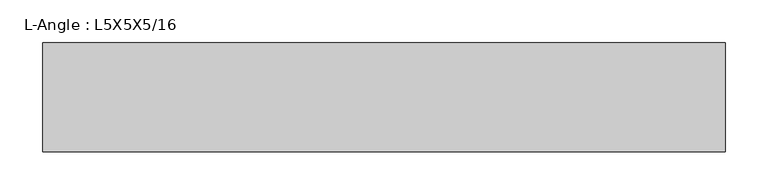
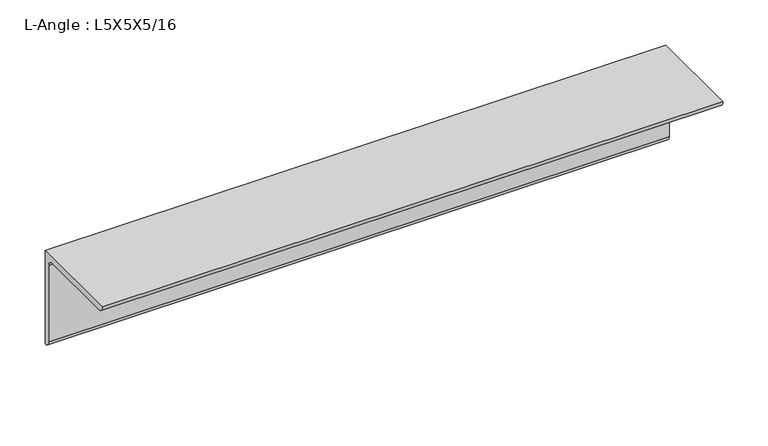
"""IFC4 building model written with IfcOpenShell, lengths in millimetres: beam geometry, L-Angle : L5X5X5/16."""

from ifc_helpers import new_model, si_unit, point, frame, frame_2d, origin, place, context, project, spatial, polyline, circle_curve, trimmed, segment, composite_curve, outline, extrude, source, transform, mapped, element, save


def l_angle_l5x5x5_16_184a533d(model_context):
    return source(origin(), model_context, "Body", "SweptSolid", [
        extrude(outline(composite_curve([segment(polyline([(34.3296875, 34.3296875), (34.3296875, -92.6703125)]), True, "CONTINUOUS"), segment(trimmed(circle_curve(frame_2d((34.3296875, -84.7328125)), 7.9375), [point((34.3296875, -92.6703125))], [point((26.3921875, -84.7328125))], False, "CARTESIAN"), True, "CONTINUOUS"), segment(polyline([(26.3921875, -84.7328125), (26.3921875, 18.4546875)]), True, "CONTINUOUS"), segment(trimmed(circle_curve(frame_2d((18.4546875, 18.4546875)), 7.9375), [point((26.3921875, 18.4546875))], [point((18.4546875, 26.3921875))], True, "CARTESIAN"), True, "CONTINUOUS"), segment(polyline([(18.4546875, 26.3921875), (-84.7328125, 26.3921875)]), True, "CONTINUOUS"), segment(trimmed(circle_curve(frame_2d((-84.7328125, 34.3296875)), 7.9375), [point((-84.7328125, 26.3921875))], [point((-92.6703125, 34.3296875))], False, "CARTESIAN"), True, "CONTINUOUS"), segment(polyline([(-92.6703125, 34.3296875), (34.3296875, 34.3296875)]), True, "CONTINUOUS")], self_intersect=False)), frame((-397.4703125, 0.0, 0.0), z_axis=(1.0, 0.0, 0.0), x_axis=(0.0, 1.0, 0.0)), (0.0, 0.0, 1.0), 794.940625),
    ])


if __name__ == "__main__":
    model = new_model("IFC4")
    model_context = context("Model", 3, world=origin())
    ifc_project = project(units=[si_unit("LENGTHUNIT", "METRE", prefix="MILLI")], contexts=[model_context])
    site = spatial("IfcSite", under=ifc_project)
    building = spatial("IfcBuilding", under=site)
    placement = place(None, origin())
    l_angle_l5x5x5_16_shape = l_angle_l5x5x5_16_184a533d(model_context)
    element("IfcBeam", 1, ObjectType="L-Angle : L5X5X5/16", at=placement, inside=building, context=model_context, shape_type="MappedRepresentation", body=[
        mapped(l_angle_l5x5x5_16_shape, transform((0.0, 0.0, 0.0), x_axis=(1.0, 0.0, 0.0), y_axis=(0.0, 1.0, 0.0), z_axis=(0.0, 0.0, 1.0))),
    ])
    save(model, "model.ifc")
